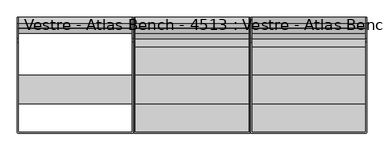
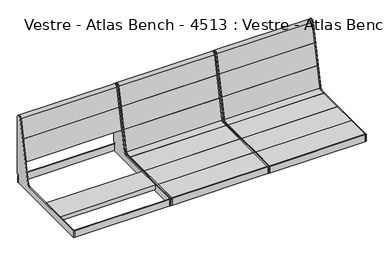
"""IFC4 building model written with IfcOpenShell, lengths in millimetres: furniture geometry, Vestre - Atlas Bench - 4513 : Vestre - Atlas Bench - 4513."""

from ifc_helpers import new_model, si_unit, point, frame, frame_2d, origin, place, context, project, spatial, polyline, circle_curve, trimmed, segment, composite_curve, outline, extrude, source, transform, mapped, element, save
from ifc_brep_helpers import plane_surface, cylinder_surface, revolved_surface, advanced_brep


def vestre_atlas_bench_4513_vestre_atlas_bench_4513_27ef36e6(model_context):
    return source(origin(), model_context, "Body", "SolidModel", [
        advanced_brep(
        [(307.9998047, 300.0000023, 454.2874442), (307.9998047, 300.0000023, 823.6998603), (307.9998047, 270.3277883, 826.8185356), (307.9998047, 191.1979651, 454.541987), (307.9998047, 171.6350131, 438.7002208), (307.9998047, -294.0016577, 438.7002208), (307.9998047, -294.0016577, 395.7002292), (307.9998047, 294.0104801, 395.7002292), (307.9998047, 294.0104801, 438.7002208), (307.9998047, 289.8860908, 438.7002208), (307.9998047, 287.8917461, 446.1432162), (307.9998047, 299.001022, 452.5571596), (303.0001099, 300.0000023, 454.2874442), (303.0001099, 299.001022, 452.5571596), (303.0001099, 287.8917461, 446.1432162), (303.0001099, 289.8860908, 438.7002208), (303.0001099, 294.0000778, 438.7002208), (303.0001099, 294.000075, 395.7002292), (303.0001099, -294.000075, 395.7002292), (303.0001099, -294.000075, 438.7002208), (303.0001099, 171.6350131, 438.7002208), (303.0001099, 191.1979651, 454.541987), (303.0001099, 270.3277883, 826.8185356), (303.0001099, 300.0000023, 823.6998603), (308.9892687, 294.9999441, 438.7002208), (897.0090675, 294.9999441, 438.7002208), (897.9998383, 294.0091733, 438.7002208), (897.9998383, 289.8860908, 438.7002208), (902.9995331, 289.8860908, 438.7002208), (902.9995331, 294.000075, 438.7002208), (896.9995331, 300.000075, 438.7002208), (309.0001099, 300.000075, 438.7002208), (309.0001099, -300.000075, 438.7002208), (897.036398, -300.000075, 438.7002208), (902.9995331, -294.0369399, 438.7002208), (902.9995331, 171.6350131, 438.7002208), (897.9998383, 171.6350131, 438.7002208), (897.9998383, -294.035874, 438.7002208), (897.0356228, -295.0000895, 438.7002208), (308.9982364, -295.0000895, 438.7002208), (902.9995331, -294.0369399, 395.7002292), (897.036398, -300.000075, 395.7002292), (309.0001099, -300.000075, 395.7002292), (309.0001099, 300.000075, 395.7002292), (896.9995331, 300.000075, 395.7002292), (902.9995331, 294.000075, 395.7002292), (897.9998383, -294.035874, 395.7002292), (897.9998383, 294.0091733, 395.7002292), (897.0090675, 294.9999441, 395.7002292), (308.9892687, 294.9999441, 395.7002292), (308.9982364, -295.0000895, 395.7002292), (897.0356228, -295.0000895, 395.7002292), (897.9998383, 191.1979651, 454.541987), (897.9998383, 270.3277883, 826.8185356), (897.9998383, 300.0000023, 823.6998603), (897.9998383, 300.0000023, 454.2874442), (897.9998383, 299.001022, 452.5571596), (897.9998383, 287.8917461, 446.1432162), (902.9995331, 287.8917461, 446.1432162), (902.9995331, 299.001022, 452.5571596), (902.9995331, 300.0000023, 454.2874442), (902.9995331, 300.0000023, 823.6998603), (902.9995331, 270.3277883, 826.8185356), (902.9995331, 191.1979651, 454.541987)],
        [
            (0, 1),
            (1, 2, circle_curve(frame((307.9998047, 285.0000023, 823.6998603), z_axis=(1.0, 0.0, 0.0), x_axis=(0.0, -1.0, 0.0)), 15.0)),
            (2, 3),
            (3, 4, circle_curve(frame((307.9998047, 171.6350131, 458.7002208), z_axis=(-1.0, 0.0, 0.0), x_axis=(0.0, -1.0, 0.0)), 20.0)),
            (4, 5),
            (5, 6),
            (6, 7),
            (7, 8),
            (8, 9),
            (9, 10, circle_curve(frame((307.9998047, 289.8860908, 442.68891), z_axis=(-1.0, 0.0, 0.0), x_axis=(0.0, -1.0, 0.0)), 3.9886892)),
            (10, 11),
            (11, 0, circle_curve(frame((307.9998047, 298.0020417, 454.2874442), z_axis=(1.0, 0.0, 0.0), x_axis=(0.0, -1.0, 0.0)), 1.9979606)),
            (12, 13, circle_curve(frame((303.0001099, 298.0020417, 454.2874442), z_axis=(-1.0, 0.0, 0.0), x_axis=(0.0, -1.0, 0.0)), 1.9979606)),
            (13, 14),
            (14, 15, circle_curve(frame((303.0001099, 289.8860908, 442.68891), z_axis=(1.0, 0.0, 0.0), x_axis=(0.0, -1.0, 0.0)), 3.9886892)),
            (15, 16),
            (16, 17),
            (17, 18),
            (18, 19),
            (19, 20),
            (20, 21, circle_curve(frame((303.0001099, 171.6350131, 458.7002208), z_axis=(1.0, 0.0, 0.0), x_axis=(0.0, -1.0, 0.0)), 20.0)),
            (21, 22),
            (22, 23, circle_curve(frame((303.0001099, 285.0000023, 823.6998603), z_axis=(-1.0, 0.0, 0.0), x_axis=(0.0, -1.0, 0.0)), 15.0)),
            (23, 12),
            (0, 12),
            (23, 1),
            (22, 2),
            (21, 3),
            (20, 4),
            (8, 24, circle_curve(frame((308.9892687, 294.0104801, 438.7002208), z_axis=(0.0, 0.0, -1.0), x_axis=(-1.0, 0.0, 0.0)), 0.989464)),
            (24, 25),
            (25, 26, circle_curve(frame((897.0090675, 294.0091733, 438.7002208), z_axis=(0.0, 0.0, -1.0), x_axis=(-1.0, 0.0, 0.0)), 0.9907708)),
            (26, 27),
            (27, 28),
            (28, 29),
            (29, 30, circle_curve(frame((896.9995331, 294.000075, 438.7002208), z_axis=(0.0, 0.0, 1.0), x_axis=(-1.0, 0.0, 0.0)), 6.0)),
            (30, 31),
            (31, 16, circle_curve(frame((309.0001099, 294.000075, 438.7002208), z_axis=(0.0, 0.0, 1.0), x_axis=(-1.0, 0.0, 0.0)), 6.0)),
            (15, 9),
            (19, 32, circle_curve(frame((309.0001099, -294.000075, 438.7002208), z_axis=(0.0, 0.0, 1.0), x_axis=(-1.0, 0.0, 0.0)), 6.0)),
            (32, 33),
            (33, 34, circle_curve(frame((897.036398, -294.0369399, 438.7002208), z_axis=(0.0, 0.0, 1.0), x_axis=(-1.0, 0.0, 0.0)), 5.9631351)),
            (34, 35),
            (35, 36),
            (36, 37),
            (37, 38, circle_curve(frame((897.0356228, -294.035874, 438.7002208), z_axis=(0.0, 0.0, -1.0), x_axis=(-1.0, 0.0, 0.0)), 0.9642155)),
            (38, 39),
            (39, 5, circle_curve(frame((308.9982364, -294.0016577, 438.7002208), z_axis=(0.0, 0.0, -1.0), x_axis=(-1.0, 0.0, 0.0)), 0.9984317)),
            (14, 10),
            (13, 11),
            (40, 41, circle_curve(frame((897.036398, -294.0369399, 395.7002292), z_axis=(0.0, 0.0, -1.0), x_axis=(-1.0, 0.0, 0.0)), 5.9631351)),
            (41, 42),
            (42, 18, circle_curve(frame((309.0001099, -294.000075, 395.7002292), z_axis=(0.0, 0.0, -1.0), x_axis=(-1.0, 0.0, 0.0)), 6.0)),
            (17, 43, circle_curve(frame((309.0001099, 294.000075, 395.7002292), z_axis=(0.0, 0.0, -1.0), x_axis=(-1.0, 0.0, 0.0)), 6.0)),
            (43, 44),
            (44, 45, circle_curve(frame((896.9995331, 294.000075, 395.7002292), z_axis=(0.0, 0.0, -1.0), x_axis=(-1.0, 0.0, 0.0)), 6.0)),
            (45, 40),
            (46, 47),
            (47, 48, circle_curve(frame((897.0090675, 294.0091733, 395.7002292), z_axis=(0.0, 0.0, 1.0), x_axis=(-1.0, 0.0, 0.0)), 0.9907708)),
            (48, 49),
            (49, 7, circle_curve(frame((308.9892687, 294.0104801, 395.7002292), z_axis=(0.0, 0.0, 1.0), x_axis=(-1.0, 0.0, 0.0)), 0.989464)),
            (6, 50, circle_curve(frame((308.9982364, -294.0016577, 395.7002292), z_axis=(0.0, 0.0, 1.0), x_axis=(-1.0, 0.0, 0.0)), 0.9984317)),
            (50, 51),
            (51, 46, circle_curve(frame((897.0356228, -294.035874, 395.7002292), z_axis=(0.0, 0.0, 1.0), x_axis=(-1.0, 0.0, 0.0)), 0.9642155)),
            (46, 37),
            (36, 52, circle_curve(frame((897.9998383, 171.6350131, 458.7002208), z_axis=(1.0, 0.0, 0.0), x_axis=(0.0, -1.0, 0.0)), 20.0)),
            (52, 53),
            (53, 54, circle_curve(frame((897.9998383, 285.0000023, 823.6998603), z_axis=(-1.0, 0.0, 0.0), x_axis=(0.0, -1.0, 0.0)), 15.0)),
            (54, 55),
            (55, 56, circle_curve(frame((897.9998383, 298.0020417, 454.2874442), z_axis=(-1.0, 0.0, 0.0), x_axis=(0.0, -1.0, 0.0)), 1.9979606)),
            (56, 57),
            (57, 27, circle_curve(frame((897.9998383, 289.8860908, 442.68891), z_axis=(1.0, 0.0, 0.0), x_axis=(0.0, -1.0, 0.0)), 3.9886892)),
            (26, 47),
            (25, 48),
            (24, 49),
            (39, 50),
            (38, 51),
            (33, 41),
            (40, 34),
            (32, 42),
            (31, 43),
            (30, 44),
            (29, 45),
            (28, 58, circle_curve(frame((902.9995331, 289.8860908, 442.68891), z_axis=(-1.0, 0.0, 0.0), x_axis=(0.0, -1.0, 0.0)), 3.9886892)),
            (58, 59),
            (59, 60, circle_curve(frame((902.9995331, 298.0020417, 454.2874442), z_axis=(1.0, 0.0, 0.0), x_axis=(0.0, -1.0, 0.0)), 1.9979606)),
            (60, 61),
            (61, 62, circle_curve(frame((902.9995331, 285.0000023, 823.6998603), z_axis=(1.0, 0.0, 0.0), x_axis=(0.0, -1.0, 0.0)), 15.0)),
            (62, 63),
            (63, 35, circle_curve(frame((902.9995331, 171.6350131, 458.7002208), z_axis=(-1.0, 0.0, 0.0), x_axis=(0.0, -1.0, 0.0)), 20.0)),
            (54, 61),
            (60, 55),
            (53, 62),
            (52, 63),
            (57, 58),
            (56, 59),
        ],
        [
            plane_surface(frame((307.9998047, 300.0000023, 823.700013), z_axis=(1.0, 0.0, 0.0), x_axis=(0.0, 0.0, 1.0))),
            plane_surface(frame((303.0001099, 300.0000023, 823.700013), z_axis=(-1.0, 0.0, 0.0), x_axis=(0.0, 0.0, -1.0))),
            plane_surface(frame((307.9998047, 300.0000023, 454.2874442), z_axis=(0.0, 1.0, 0.0), x_axis=(-1.0, 0.0, 0.0))),
            cylinder_surface(frame((303.0001099, 285.0000023, 823.6998603), z_axis=(1.0, 0.0, 0.0), x_axis=(0.0, -1.0, 0.0)), 15.0),
            plane_surface(frame((307.9998047, 270.3277883, 826.8185356), z_axis=(0.0, -0.9781476007338054, 0.20791169081776104), x_axis=(-1.0, 0.0, 0.0))),
            revolved_surface(polyline([(303.0001099, 151.6350131, 458.7002208), (307.9998047, 151.6350131, 458.7002208)]), (303.0001099, 171.6350131, 458.7002208), (-1.0, 0.0, 0.0)),
            plane_surface(frame((307.9998047, 171.6350131, 438.7002208), z_axis=(0.0, 0.0, 1.0), x_axis=(-1.0, 0.0, 0.0))),
            revolved_surface(polyline([(303.0001099, 285.89740159999997, 442.68891), (307.9998047, 285.89740159999997, 442.68891)]), (303.0001099, 289.8860908, 442.68891), (-1.0, 0.0, 0.0)),
            plane_surface(frame((307.9998047, 287.8917461, 446.1432162), z_axis=(0.0, 0.5000000000000018, -0.8660254037844377), x_axis=(-1.0, 0.0, 0.0))),
            cylinder_surface(frame((303.0001099, 298.0020417, 454.2874442), z_axis=(1.0, 0.0, 0.0), x_axis=(0.0, -1.0, 0.0)), 1.9979606),
            plane_surface(frame((896.0714073, -294.035874, 395.7002292), z_axis=(0.0, 0.0, -1.0), x_axis=(0.0, -1.0, 0.0))),
            plane_surface(frame((897.9998383, 294.0091733, 438.7002208), z_axis=(-1.0, 0.0, 0.0), x_axis=(0.0, 0.0, -1.0))),
            revolved_surface(polyline([(896.0182967000001, 294.0091733, 395.7002292), (896.0182967000001, 294.0091733, 438.7002208)]), (897.0090675, 294.0091733, 395.7002292), (0.0, 0.0, -1.0)),
            plane_surface(frame((308.9892687, 294.9999441, 438.7002208), z_axis=(0.0, -1.0, 0.0), x_axis=(0.0, 0.0, -1.0))),
            revolved_surface(polyline([(307.9998047, 294.0104801, 395.7002292), (307.9998047, 294.0104801, 438.7002208)]), (308.9892687, 294.0104801, 395.7002292), (0.0, 0.0, -1.0)),
            revolved_surface(polyline([(307.99980469999997, -294.0016577, 395.7002292), (307.99980469999997, -294.0016577, 438.7002208)]), (308.9982364, -294.0016577, 395.7002292), (0.0, 0.0, -1.0)),
            plane_surface(frame((897.0356228, -295.0000895, 438.7002208), z_axis=(0.0, 1.0, 0.0), x_axis=(0.0, 0.0, -1.0))),
            revolved_surface(polyline([(896.0714073, -294.035874, 395.7002292), (896.0714073, -294.035874, 438.7002208)]), (897.0356228, -294.035874, 395.7002292), (0.0, 0.0, -1.0)),
            cylinder_surface(frame((897.036398, -294.0369399, 395.7002292), z_axis=(0.0, 0.0, 1.0), x_axis=(-1.0, 0.0, 0.0)), 5.9631351),
            plane_surface(frame((309.0001099, -300.000075, 438.7002208), z_axis=(0.0, -1.0, 0.0), x_axis=(0.0, 0.0, -1.0))),
            cylinder_surface(frame((309.0001099, -294.000075, 395.7002292), z_axis=(0.0, 0.0, 1.0), x_axis=(-1.0, 0.0, 0.0)), 6.0),
            cylinder_surface(frame((309.0001099, 294.000075, 395.7002292), z_axis=(0.0, 0.0, 1.0), x_axis=(-1.0, 0.0, 0.0)), 6.0),
            plane_surface(frame((896.9995331, 300.000075, 438.7002208), z_axis=(0.0, 1.0, 0.0), x_axis=(0.0, 0.0, -1.0))),
            cylinder_surface(frame((896.9995331, 294.000075, 395.7002292), z_axis=(0.0, 0.0, 1.0), x_axis=(-1.0, 0.0, 0.0)), 6.0),
            plane_surface(frame((902.9995331, -294.0369399, 438.7002208), z_axis=(1.0, 0.0, 0.0), x_axis=(0.0, 0.0, -1.0))),
            plane_surface(frame((897.9998383, 300.0000023, 823.6998603), z_axis=(0.0, 1.0, 0.0), x_axis=(1.0, 0.0, 0.0))),
            cylinder_surface(frame((902.9995331, 285.0000023, 823.6998603), z_axis=(-1.0, 0.0, 0.0), x_axis=(0.0, -1.0, 0.0)), 15.0),
            plane_surface(frame((897.9998383, 191.1979651, 454.541987), z_axis=(0.0, -0.9781476007338054, 0.20791169081776104), x_axis=(1.0, 0.0, 0.0))),
            revolved_surface(polyline([(902.9995331, 151.6350131, 458.7002208), (897.9998383, 151.6350131, 458.7002208)]), (902.9995331, 171.6350131, 458.7002208), (1.0, 0.0, 0.0)),
            revolved_surface(polyline([(902.9995331, 285.89740159999997, 442.68891), (897.9998383, 285.89740159999997, 442.68891)]), (902.9995331, 289.8860908, 442.68891), (1.0, 0.0, 0.0)),
            plane_surface(frame((897.9998383, 299.001022, 452.5571596), z_axis=(0.0, 0.5000000000000018, -0.8660254037844377), x_axis=(1.0, 0.0, 0.0))),
            cylinder_surface(frame((902.9995331, 298.0020417, 454.2874442), z_axis=(-1.0, 0.0, 0.0), x_axis=(0.0, -1.0, 0.0)), 1.9979606),
        ],
        [
            (0, [[1, 2, 3, 4, 5, 6, 7, 8, 9, 10, 11, 12]]),
            (1, [[13, 14, 15, 16, 17, 18, 19, 20, 21, 22, 23, 24]]),
            (2, [[-1, 25, -24, 26]]),
            (3, [[-2, -26, -23, 27]]),
            (4, [[-3, -27, -22, 28]]),
            (5, [[-4, -28, -21, 29]]),
            (6, [[-9, 30, 31, 32, 33, 34, 35, 36, 37, 38, -16, 39]]),
            (6, [[-29, -20, 40, 41, 42, 43, 44, 45, 46, 47, 48, -5]]),
            (7, [[-10, -39, -15, 49]]),
            (8, [[-11, -49, -14, 50]]),
            (9, [[-12, -50, -13, -25]]),
            (10, [[51, 52, 53, -18, 54, 55, 56, 57], [58, 59, 60, 61, -7, 62, 63, 64]]),
            (11, [[-58, 65, -45, 66, 67, 68, 69, 70, 71, 72, -33, 73]]),
            (12, [[-73, -32, 74, -59]]),
            (13, [[-31, 75, -60, -74]]),
            (14, [[-30, -8, -61, -75]]),
            (15, [[-48, 76, -62, -6]]),
            (16, [[-47, 77, -63, -76]]),
            (17, [[-46, -65, -64, -77]]),
            (18, [[-42, 78, -51, 79]]),
            (19, [[-41, 80, -52, -78]]),
            (20, [[-40, -19, -53, -80]]),
            (21, [[-38, 81, -54, -17]]),
            (22, [[-37, 82, -55, -81]]),
            (23, [[-36, 83, -56, -82]]),
            (24, [[-57, -83, -35, 84, 85, 86, 87, 88, 89, 90, -43, -79]]),
            (25, [[-69, 91, -87, 92]]),
            (26, [[-68, 93, -88, -91]]),
            (27, [[-67, 94, -89, -93]]),
            (28, [[-66, -44, -90, -94]]),
            (29, [[-72, 95, -84, -34]]),
            (30, [[-71, 96, -85, -95]]),
            (31, [[-70, -92, -86, -96]]),
        ],
    ),
        advanced_brep(
        [(-295.0000168, 300.0000023, 454.2874442), (-295.0000168, 300.0000023, 823.6998603), (-295.0000168, 270.3277883, 826.8185356), (-295.0000168, 191.1979651, 454.541987), (-295.0000168, 171.6350131, 438.7002208), (-295.0000168, -294.035874, 438.7002208), (-295.0000168, -294.035874, 395.7002292), (-295.0000168, 294.0091733, 395.7002292), (-295.0000168, 294.0091733, 438.7002208), (-295.0000168, 289.8860908, 438.7002208), (-295.0000168, 287.8917461, 446.1432162), (-295.0000168, 299.001022, 452.5571596), (-299.9997116, 300.0000023, 454.2874442), (-299.9997116, 299.001022, 452.5571596), (-299.9997116, 287.8917461, 446.1432162), (-299.9997116, 289.8860908, 438.7002208), (-299.9997116, 294.0000778, 438.7002208), (-299.9997116, 294.000075, 395.7002292), (-299.9997116, -294.0369399, 395.7002292), (-299.9997116, -294.0369399, 438.7002208), (-299.9997116, 171.6350131, 438.7002208), (-299.9997116, 191.1979651, 454.541987), (-299.9997116, 270.3277883, 826.8185356), (-299.9997116, 300.0000023, 823.6998603), (-294.009246, 294.9999441, 438.7002208), (294.0105528, 294.9999441, 438.7002208), (295.0000168, 294.0104801, 438.7002208), (295.0000168, 289.8860908, 438.7002208), (299.9997116, 289.8860908, 438.7002208), (299.9997116, 294.000075, 438.7002208), (293.9997116, 300.000075, 438.7002208), (-293.9997116, 300.000075, 438.7002208), (-294.0365765, -300.000075, 438.7002208), (293.9997116, -300.000075, 438.7002208), (299.9997116, -294.000075, 438.7002208), (299.9997116, 171.6350131, 438.7002208), (295.0000168, 171.6350131, 438.7002208), (295.0000168, -294.0016577, 438.7002208), (294.0015851, -295.0000895, 438.7002208), (-294.0358013, -295.0000895, 438.7002208), (-293.9997116, 300.000075, 395.7002292), (293.9997116, 300.000075, 395.7002292), (299.9997116, 294.000075, 395.7002292), (299.9997116, -294.000075, 395.7002292), (293.9997116, -300.000075, 395.7002292), (-294.0365765, -300.000075, 395.7002292), (-294.0358013, -295.0000895, 395.7002292), (294.0015851, -295.0000895, 395.7002292), (295.0000168, -294.0016577, 395.7002292), (295.0000168, 294.0104801, 395.7002292), (294.0105528, 294.9999441, 395.7002292), (-294.009246, 294.9999441, 395.7002292), (295.0000168, 191.1979651, 454.541987), (295.0000168, 270.3277883, 826.8185356), (295.0000168, 300.0000023, 823.6998603), (295.0000168, 300.0000023, 454.2874442), (295.0000168, 299.001022, 452.5571596), (295.0000168, 287.8917461, 446.1432162), (299.9997116, 287.8917461, 446.1432162), (299.9997116, 299.001022, 452.5571596), (299.9997116, 300.0000023, 454.2874442), (299.9997116, 300.0000023, 823.6998603), (299.9997116, 270.3277883, 826.8185356), (299.9997116, 191.1979651, 454.541987)],
        [
            (0, 1),
            (1, 2, circle_curve(frame((-295.0000168, 285.0000023, 823.6998603), z_axis=(1.0, 0.0, 0.0), x_axis=(0.0, -1.0, 0.0)), 15.0)),
            (2, 3),
            (3, 4, circle_curve(frame((-295.0000168, 171.6350131, 458.7002208), z_axis=(-1.0, 0.0, 0.0), x_axis=(0.0, -1.0, 0.0)), 20.0)),
            (4, 5),
            (5, 6),
            (6, 7),
            (7, 8),
            (8, 9),
            (9, 10, circle_curve(frame((-295.0000168, 289.8860908, 442.68891), z_axis=(-1.0, 0.0, 0.0), x_axis=(0.0, -1.0, 0.0)), 3.9886892)),
            (10, 11),
            (11, 0, circle_curve(frame((-295.0000168, 298.0020417, 454.2874442), z_axis=(1.0, 0.0, 0.0), x_axis=(0.0, -1.0, 0.0)), 1.9979606)),
            (12, 13, circle_curve(frame((-299.9997116, 298.0020417, 454.2874442), z_axis=(-1.0, 0.0, 0.0), x_axis=(0.0, -1.0, 0.0)), 1.9979606)),
            (13, 14),
            (14, 15, circle_curve(frame((-299.9997116, 289.8860908, 442.68891), z_axis=(1.0, 0.0, 0.0), x_axis=(0.0, -1.0, 0.0)), 3.9886892)),
            (15, 16),
            (16, 17),
            (17, 18),
            (18, 19),
            (19, 20),
            (20, 21, circle_curve(frame((-299.9997116, 171.6350131, 458.7002208), z_axis=(1.0, 0.0, 0.0), x_axis=(0.0, -1.0, 0.0)), 20.0)),
            (21, 22),
            (22, 23, circle_curve(frame((-299.9997116, 285.0000023, 823.6998603), z_axis=(-1.0, 0.0, 0.0), x_axis=(0.0, -1.0, 0.0)), 15.0)),
            (23, 12),
            (0, 12),
            (23, 1),
            (22, 2),
            (21, 3),
            (20, 4),
            (8, 24, circle_curve(frame((-294.009246, 294.0091733, 438.7002208), z_axis=(0.0, 0.0, -1.0), x_axis=(1.0, 0.0, 0.0)), 0.9907708)),
            (24, 25),
            (25, 26, circle_curve(frame((294.0105528, 294.0104801, 438.7002208), z_axis=(0.0, 0.0, -1.0), x_axis=(1.0, 0.0, 0.0)), 0.989464)),
            (26, 27),
            (27, 28),
            (28, 29),
            (29, 30, circle_curve(frame((293.9997116, 294.000075, 438.7002208), z_axis=(0.0, 0.0, 1.0), x_axis=(1.0, 0.0, 0.0)), 6.0)),
            (30, 31),
            (31, 16, circle_curve(frame((-293.9997116, 294.000075, 438.7002208), z_axis=(0.0, 0.0, 1.0), x_axis=(1.0, 0.0, 0.0)), 6.0)),
            (15, 9),
            (19, 32, circle_curve(frame((-294.0365765, -294.0369399, 438.7002208), z_axis=(0.0, 0.0, 1.0), x_axis=(1.0, 0.0, 0.0)), 5.9631351)),
            (32, 33),
            (33, 34, circle_curve(frame((293.9997116, -294.000075, 438.7002208), z_axis=(0.0, 0.0, 1.0), x_axis=(1.0, 0.0, 0.0)), 6.0)),
            (34, 35),
            (35, 36),
            (36, 37),
            (37, 38, circle_curve(frame((294.0015851, -294.0016577, 438.7002208), z_axis=(0.0, 0.0, -1.0), x_axis=(1.0, 0.0, 0.0)), 0.9984317)),
            (38, 39),
            (39, 5, circle_curve(frame((-294.0358013, -294.035874, 438.7002208), z_axis=(0.0, 0.0, -1.0), x_axis=(1.0, 0.0, 0.0)), 0.9642155)),
            (14, 10),
            (13, 11),
            (17, 40, circle_curve(frame((-293.9997116, 294.000075, 395.7002292), z_axis=(0.0, 0.0, -1.0), x_axis=(1.0, 0.0, 0.0)), 6.0)),
            (40, 41),
            (41, 42, circle_curve(frame((293.9997116, 294.000075, 395.7002292), z_axis=(0.0, 0.0, -1.0), x_axis=(1.0, 0.0, 0.0)), 6.0)),
            (42, 43),
            (43, 44, circle_curve(frame((293.9997116, -294.000075, 395.7002292), z_axis=(0.0, 0.0, -1.0), x_axis=(1.0, 0.0, 0.0)), 6.0)),
            (44, 45),
            (45, 18, circle_curve(frame((-294.0365765, -294.0369399, 395.7002292), z_axis=(0.0, 0.0, -1.0), x_axis=(1.0, 0.0, 0.0)), 5.9631351)),
            (6, 46, circle_curve(frame((-294.0358013, -294.035874, 395.7002292), z_axis=(0.0, 0.0, 1.0), x_axis=(1.0, 0.0, 0.0)), 0.9642155)),
            (46, 47),
            (47, 48, circle_curve(frame((294.0015851, -294.0016577, 395.7002292), z_axis=(0.0, 0.0, 1.0), x_axis=(1.0, 0.0, 0.0)), 0.9984317)),
            (48, 49),
            (49, 50, circle_curve(frame((294.0105528, 294.0104801, 395.7002292), z_axis=(0.0, 0.0, 1.0), x_axis=(1.0, 0.0, 0.0)), 0.989464)),
            (50, 51),
            (51, 7, circle_curve(frame((-294.009246, 294.0091733, 395.7002292), z_axis=(0.0, 0.0, 1.0), x_axis=(1.0, 0.0, 0.0)), 0.9907708)),
            (51, 24),
            (50, 25),
            (49, 26),
            (48, 37),
            (36, 52, circle_curve(frame((295.0000168, 171.6350131, 458.7002208), z_axis=(1.0, 0.0, 0.0), x_axis=(0.0, -1.0, 0.0)), 20.0)),
            (52, 53),
            (53, 54, circle_curve(frame((295.0000168, 285.0000023, 823.6998603), z_axis=(-1.0, 0.0, 0.0), x_axis=(0.0, -1.0, 0.0)), 15.0)),
            (54, 55),
            (55, 56, circle_curve(frame((295.0000168, 298.0020417, 454.2874442), z_axis=(-1.0, 0.0, 0.0), x_axis=(0.0, -1.0, 0.0)), 1.9979606)),
            (56, 57),
            (57, 27, circle_curve(frame((295.0000168, 289.8860908, 442.68891), z_axis=(1.0, 0.0, 0.0), x_axis=(0.0, -1.0, 0.0)), 3.9886892)),
            (47, 38),
            (46, 39),
            (45, 32),
            (44, 33),
            (43, 34),
            (42, 29),
            (28, 58, circle_curve(frame((299.9997116, 289.8860908, 442.68891), z_axis=(-1.0, 0.0, 0.0), x_axis=(0.0, -1.0, 0.0)), 3.9886892)),
            (58, 59),
            (59, 60, circle_curve(frame((299.9997116, 298.0020417, 454.2874442), z_axis=(1.0, 0.0, 0.0), x_axis=(0.0, -1.0, 0.0)), 1.9979606)),
            (60, 61),
            (61, 62, circle_curve(frame((299.9997116, 285.0000023, 823.6998603), z_axis=(1.0, 0.0, 0.0), x_axis=(0.0, -1.0, 0.0)), 15.0)),
            (62, 63),
            (63, 35, circle_curve(frame((299.9997116, 171.6350131, 458.7002208), z_axis=(-1.0, 0.0, 0.0), x_axis=(0.0, -1.0, 0.0)), 20.0)),
            (41, 30),
            (40, 31),
            (54, 61),
            (60, 55),
            (53, 62),
            (52, 63),
            (57, 58),
            (56, 59),
        ],
        [
            plane_surface(frame((-295.0000168, 300.0000023, 823.700013), z_axis=(1.0, 0.0, 0.0), x_axis=(0.0, 0.0, 1.0))),
            plane_surface(frame((-299.9997116, 300.0000023, 823.700013), z_axis=(-1.0, 0.0, 0.0), x_axis=(0.0, 0.0, -1.0))),
            plane_surface(frame((-295.0000168, 300.0000023, 454.2874442), z_axis=(0.0, 1.0, 0.0), x_axis=(-1.0, 0.0, 0.0))),
            cylinder_surface(frame((-299.9997116, 285.0000023, 823.6998603), z_axis=(1.0, 0.0, 0.0), x_axis=(0.0, -1.0, 0.0)), 15.0),
            plane_surface(frame((-295.0000168, 270.3277883, 826.8185356), z_axis=(0.0, -0.9781476007338054, 0.20791169081776104), x_axis=(-1.0, 0.0, 0.0))),
            revolved_surface(polyline([(-299.9997116, 151.6350131, 458.7002208), (-295.0000168, 151.6350131, 458.7002208)]), (-299.9997116, 171.6350131, 458.7002208), (-1.0, 0.0, 0.0)),
            plane_surface(frame((-295.0000168, 171.6350131, 438.7002208), z_axis=(0.0, 0.0, 1.0), x_axis=(-1.0, 0.0, 0.0))),
            revolved_surface(polyline([(-299.9997116, 285.89740159999997, 442.68891), (-295.0000168, 285.89740159999997, 442.68891)]), (-299.9997116, 289.8860908, 442.68891), (-1.0, 0.0, 0.0)),
            plane_surface(frame((-295.0000168, 287.8917461, 446.1432162), z_axis=(0.0, 0.5000000000000018, -0.8660254037844377), x_axis=(-1.0, 0.0, 0.0))),
            cylinder_surface(frame((-299.9997116, 298.0020417, 454.2874442), z_axis=(1.0, 0.0, 0.0), x_axis=(0.0, -1.0, 0.0)), 1.9979606),
            plane_surface(frame((-295.0000168, 294.0000051, 395.7002292), z_axis=(0.0, 0.0, -1.0), x_axis=(0.0, -1.0, 0.0))),
            revolved_surface(polyline([(-293.0184752, 294.0091733, 395.7002292), (-293.0184752, 294.0091733, 438.7002208)]), (-294.009246, 294.0091733, 395.7002292), (0.0, 0.0, -1.0)),
            plane_surface(frame((-294.009246, 294.9999441, 438.7002208), z_axis=(0.0, -1.0, 0.0), x_axis=(0.0, 0.0, -1.0))),
            revolved_surface(polyline([(295.0000168, 294.0104801, 395.7002292), (295.0000168, 294.0104801, 438.7002208)]), (294.0105528, 294.0104801, 395.7002292), (0.0, 0.0, -1.0)),
            plane_surface(frame((295.0000168, 294.0104801, 438.7002208), z_axis=(-1.0, 0.0, 0.0), x_axis=(0.0, 0.0, -1.0))),
            revolved_surface(polyline([(295.0000168, -294.0016577, 395.7002292), (295.0000168, -294.0016577, 438.7002208)]), (294.0015851, -294.0016577, 395.7002292), (0.0, 0.0, -1.0)),
            plane_surface(frame((294.0015851, -295.0000895, 438.7002208), z_axis=(0.0, 1.0, 0.0), x_axis=(0.0, 0.0, -1.0))),
            revolved_surface(polyline([(-293.0715858, -294.035874, 395.7002292), (-293.0715858, -294.035874, 438.7002208)]), (-294.0358013, -294.035874, 395.7002292), (0.0, 0.0, -1.0)),
            cylinder_surface(frame((-294.0365765, -294.0369399, 395.7002292), z_axis=(0.0, 0.0, 1.0), x_axis=(1.0, 0.0, 0.0)), 5.9631351),
            plane_surface(frame((-294.0365765, -300.000075, 438.7002208), z_axis=(0.0, -1.0, 0.0), x_axis=(0.0, 0.0, -1.0))),
            cylinder_surface(frame((293.9997116, -294.000075, 395.7002292), z_axis=(0.0, 0.0, 1.0), x_axis=(1.0, 0.0, 0.0)), 6.0),
            plane_surface(frame((299.9997116, -294.000075, 438.7002208), z_axis=(1.0, 0.0, 0.0), x_axis=(0.0, 0.0, -1.0))),
            cylinder_surface(frame((293.9997116, 294.000075, 395.7002292), z_axis=(0.0, 0.0, 1.0), x_axis=(1.0, 0.0, 0.0)), 6.0),
            plane_surface(frame((293.9997116, 300.000075, 438.7002208), z_axis=(0.0, 1.0, 0.0), x_axis=(0.0, 0.0, -1.0))),
            cylinder_surface(frame((-293.9997116, 294.000075, 395.7002292), z_axis=(0.0, 0.0, 1.0), x_axis=(1.0, 0.0, 0.0)), 6.0),
            plane_surface(frame((295.0000168, 300.0000023, 823.6998603), z_axis=(0.0, 1.0, 0.0), x_axis=(1.0, 0.0, 0.0))),
            cylinder_surface(frame((299.9997116, 285.0000023, 823.6998603), z_axis=(-1.0, 0.0, 0.0), x_axis=(0.0, -1.0, 0.0)), 15.0),
            plane_surface(frame((295.0000168, 191.1979651, 454.541987), z_axis=(0.0, -0.9781476007338054, 0.20791169081776104), x_axis=(1.0, 0.0, 0.0))),
            revolved_surface(polyline([(299.9997116, 151.6350131, 458.7002208), (295.0000168, 151.6350131, 458.7002208)]), (299.9997116, 171.6350131, 458.7002208), (1.0, 0.0, 0.0)),
            revolved_surface(polyline([(299.9997116, 285.89740159999997, 442.68891), (295.0000168, 285.89740159999997, 442.68891)]), (299.9997116, 289.8860908, 442.68891), (1.0, 0.0, 0.0)),
            plane_surface(frame((295.0000168, 299.001022, 452.5571596), z_axis=(0.0, 0.5000000000000018, -0.8660254037844377), x_axis=(1.0, 0.0, 0.0))),
            cylinder_surface(frame((299.9997116, 298.0020417, 454.2874442), z_axis=(-1.0, 0.0, 0.0), x_axis=(0.0, -1.0, 0.0)), 1.9979606),
        ],
        [
            (0, [[1, 2, 3, 4, 5, 6, 7, 8, 9, 10, 11, 12]]),
            (1, [[13, 14, 15, 16, 17, 18, 19, 20, 21, 22, 23, 24]]),
            (2, [[-1, 25, -24, 26]]),
            (3, [[-2, -26, -23, 27]]),
            (4, [[-3, -27, -22, 28]]),
            (5, [[-4, -28, -21, 29]]),
            (6, [[-9, 30, 31, 32, 33, 34, 35, 36, 37, 38, -16, 39]]),
            (6, [[-29, -20, 40, 41, 42, 43, 44, 45, 46, 47, 48, -5]]),
            (7, [[-10, -39, -15, 49]]),
            (8, [[-11, -49, -14, 50]]),
            (9, [[-12, -50, -13, -25]]),
            (10, [[-18, 51, 52, 53, 54, 55, 56, 57], [58, 59, 60, 61, 62, 63, 64, -7]]),
            (11, [[-30, -8, -64, 65]]),
            (12, [[-31, -65, -63, 66]]),
            (13, [[67, -32, -66, -62]]),
            (14, [[-61, 68, -45, 69, 70, 71, 72, 73, 74, 75, -33, -67]]),
            (15, [[-46, -68, -60, 76]]),
            (16, [[-47, -76, -59, 77]]),
            (17, [[-48, -77, -58, -6]]),
            (18, [[-40, -19, -57, 78]]),
            (19, [[-41, -78, -56, 79]]),
            (20, [[-42, -79, -55, 80]]),
            (21, [[-54, 81, -35, 82, 83, 84, 85, 86, 87, 88, -43, -80]]),
            (22, [[-36, -81, -53, 89]]),
            (23, [[-37, -89, -52, 90]]),
            (24, [[-38, -90, -51, -17]]),
            (25, [[-72, 91, -85, 92]]),
            (26, [[-71, 93, -86, -91]]),
            (27, [[-70, 94, -87, -93]]),
            (28, [[-69, -44, -88, -94]]),
            (29, [[-75, 95, -82, -34]]),
            (30, [[-74, 96, -83, -95]]),
            (31, [[-73, -92, -84, -96]]),
        ],
    ),
        advanced_brep(
        [(-897.9998383, 300.0000023, 454.2874442), (-897.9998383, 300.0000023, 823.6998603), (-897.9998383, 270.3277883, 826.8185356), (-897.9998383, 191.1979651, 454.541987), (-897.9998383, 171.6350131, 438.7002208), (-897.9998383, -294.035874, 438.7002208), (-897.9998383, -294.035874, 395.7002292), (-897.9998383, 294.0091733, 395.7002292), (-897.9998383, 294.0091733, 438.7002208), (-897.9998383, 289.8860908, 438.7002208), (-897.9998383, 287.8917461, 446.1432162), (-897.9998383, 299.001022, 452.5571596), (-902.9995331, 300.0000023, 454.2874442), (-902.9995331, 299.001022, 452.5571596), (-902.9995331, 287.8917461, 446.1432162), (-902.9995331, 289.8860908, 438.7002208), (-902.9995331, 294.0000778, 438.7002208), (-902.9995331, 294.000075, 395.7002292), (-902.9995331, -294.0369399, 395.7002292), (-902.9995331, -294.0369399, 438.7002208), (-902.9995331, 171.6350131, 438.7002208), (-902.9995331, 191.1979651, 454.541987), (-902.9995331, 270.3277883, 826.8185356), (-902.9995331, 300.0000023, 823.6998603), (-897.0090675, 294.9999441, 438.7002208), (-308.9892687, 294.9999441, 438.7002208), (-307.9998047, 294.0104801, 438.7002208), (-307.9998047, 289.8860908, 438.7002208), (-303.0001099, 289.8860908, 438.7002208), (-303.0001099, 294.000075, 438.7002208), (-309.0001099, 300.000075, 438.7002208), (-896.9995331, 300.000075, 438.7002208), (-897.036398, -300.000075, 438.7002208), (-309.0001099, -300.000075, 438.7002208), (-303.0001099, -294.000075, 438.7002208), (-303.0001099, 171.6350131, 438.7002208), (-307.9998047, 171.6350131, 438.7002208), (-307.9998047, -294.0016577, 438.7002208), (-308.9982364, -295.0000895, 438.7002208), (-897.0356228, -295.0000895, 438.7002208), (-896.9995331, 300.000075, 395.7002292), (-309.0001099, 300.000075, 395.7002292), (-303.0001099, 294.000075, 395.7002292), (-303.0001099, -294.000075, 395.7002292), (-309.0001099, -300.000075, 395.7002292), (-897.036398, -300.000075, 395.7002292), (-897.0356228, -295.0000895, 395.7002292), (-308.9982364, -295.0000895, 395.7002292), (-307.9998047, -294.0016577, 395.7002292), (-307.9998047, 294.0104801, 395.7002292), (-308.9892687, 294.9999441, 395.7002292), (-897.0090675, 294.9999441, 395.7002292), (-307.9998047, 191.1979651, 454.541987), (-307.9998047, 270.3277883, 826.8185356), (-307.9998047, 300.0000023, 823.6998603), (-307.9998047, 300.0000023, 454.2874442), (-307.9998047, 299.001022, 452.5571596), (-307.9998047, 287.8917461, 446.1432162), (-303.0001099, 287.8917461, 446.1432162), (-303.0001099, 299.001022, 452.5571596), (-303.0001099, 300.0000023, 454.2874442), (-303.0001099, 300.0000023, 823.6998603), (-303.0001099, 270.3277883, 826.8185356), (-303.0001099, 191.1979651, 454.541987)],
        [
            (0, 1),
            (1, 2, circle_curve(frame((-897.9998383, 285.0000023, 823.6998603), z_axis=(1.0, 0.0, 0.0), x_axis=(0.0, -1.0, 0.0)), 15.0)),
            (2, 3),
            (3, 4, circle_curve(frame((-897.9998383, 171.6350131, 458.7002208), z_axis=(-1.0, 0.0, 0.0), x_axis=(0.0, -1.0, 0.0)), 20.0)),
            (4, 5),
            (5, 6),
            (6, 7),
            (7, 8),
            (8, 9),
            (9, 10, circle_curve(frame((-897.9998383, 289.8860908, 442.68891), z_axis=(-1.0, 0.0, 0.0), x_axis=(0.0, -1.0, 0.0)), 3.9886892)),
            (10, 11),
            (11, 0, circle_curve(frame((-897.9998383, 298.0020417, 454.2874442), z_axis=(1.0, 0.0, 0.0), x_axis=(0.0, -1.0, 0.0)), 1.9979606)),
            (12, 13, circle_curve(frame((-902.9995331, 298.0020417, 454.2874442), z_axis=(-1.0, 0.0, 0.0), x_axis=(0.0, -1.0, 0.0)), 1.9979606)),
            (13, 14),
            (14, 15, circle_curve(frame((-902.9995331, 289.8860908, 442.68891), z_axis=(1.0, 0.0, 0.0), x_axis=(0.0, -1.0, 0.0)), 3.9886892)),
            (15, 16),
            (16, 17),
            (17, 18),
            (18, 19),
            (19, 20),
            (20, 21, circle_curve(frame((-902.9995331, 171.6350131, 458.7002208), z_axis=(1.0, 0.0, 0.0), x_axis=(0.0, -1.0, 0.0)), 20.0)),
            (21, 22),
            (22, 23, circle_curve(frame((-902.9995331, 285.0000023, 823.6998603), z_axis=(-1.0, 0.0, 0.0), x_axis=(0.0, -1.0, 0.0)), 15.0)),
            (23, 12),
            (0, 12),
            (23, 1),
            (22, 2),
            (21, 3),
            (20, 4),
            (8, 24, circle_curve(frame((-897.0090675, 294.0091733, 438.7002208), z_axis=(0.0, 0.0, -1.0), x_axis=(1.0, 0.0, 0.0)), 0.9907708)),
            (24, 25),
            (25, 26, circle_curve(frame((-308.9892687, 294.0104801, 438.7002208), z_axis=(0.0, 0.0, -1.0), x_axis=(1.0, 0.0, 0.0)), 0.989464)),
            (26, 27),
            (27, 28),
            (28, 29),
            (29, 30, circle_curve(frame((-309.0001099, 294.000075, 438.7002208), z_axis=(0.0, 0.0, 1.0), x_axis=(1.0, 0.0, 0.0)), 6.0)),
            (30, 31),
            (31, 16, circle_curve(frame((-896.9995331, 294.000075, 438.7002208), z_axis=(0.0, 0.0, 1.0), x_axis=(1.0, 0.0, 0.0)), 6.0)),
            (15, 9),
            (19, 32, circle_curve(frame((-897.036398, -294.0369399, 438.7002208), z_axis=(0.0, 0.0, 1.0), x_axis=(1.0, 0.0, 0.0)), 5.9631351)),
            (32, 33),
            (33, 34, circle_curve(frame((-309.0001099, -294.000075, 438.7002208), z_axis=(0.0, 0.0, 1.0), x_axis=(1.0, 0.0, 0.0)), 6.0)),
            (34, 35),
            (35, 36),
            (36, 37),
            (37, 38, circle_curve(frame((-308.9982364, -294.0016577, 438.7002208), z_axis=(0.0, 0.0, -1.0), x_axis=(1.0, 0.0, 0.0)), 0.9984317)),
            (38, 39),
            (39, 5, circle_curve(frame((-897.0356228, -294.035874, 438.7002208), z_axis=(0.0, 0.0, -1.0), x_axis=(1.0, 0.0, 0.0)), 0.9642155)),
            (14, 10),
            (13, 11),
            (17, 40, circle_curve(frame((-896.9995331, 294.000075, 395.7002292), z_axis=(0.0, 0.0, -1.0), x_axis=(1.0, 0.0, 0.0)), 6.0)),
            (40, 41),
            (41, 42, circle_curve(frame((-309.0001099, 294.000075, 395.7002292), z_axis=(0.0, 0.0, -1.0), x_axis=(1.0, 0.0, 0.0)), 6.0)),
            (42, 43),
            (43, 44, circle_curve(frame((-309.0001099, -294.000075, 395.7002292), z_axis=(0.0, 0.0, -1.0), x_axis=(1.0, 0.0, 0.0)), 6.0)),
            (44, 45),
            (45, 18, circle_curve(frame((-897.036398, -294.0369399, 395.7002292), z_axis=(0.0, 0.0, -1.0), x_axis=(1.0, 0.0, 0.0)), 5.9631351)),
            (6, 46, circle_curve(frame((-897.0356228, -294.035874, 395.7002292), z_axis=(0.0, 0.0, 1.0), x_axis=(1.0, 0.0, 0.0)), 0.9642155)),
            (46, 47),
            (47, 48, circle_curve(frame((-308.9982364, -294.0016577, 395.7002292), z_axis=(0.0, 0.0, 1.0), x_axis=(1.0, 0.0, 0.0)), 0.9984317)),
            (48, 49),
            (49, 50, circle_curve(frame((-308.9892687, 294.0104801, 395.7002292), z_axis=(0.0, 0.0, 1.0), x_axis=(1.0, 0.0, 0.0)), 0.989464)),
            (50, 51),
            (51, 7, circle_curve(frame((-897.0090675, 294.0091733, 395.7002292), z_axis=(0.0, 0.0, 1.0), x_axis=(1.0, 0.0, 0.0)), 0.9907708)),
            (51, 24),
            (50, 25),
            (49, 26),
            (48, 37),
            (36, 52, circle_curve(frame((-307.9998047, 171.6350131, 458.7002208), z_axis=(1.0, 0.0, 0.0), x_axis=(0.0, -1.0, 0.0)), 20.0)),
            (52, 53),
            (53, 54, circle_curve(frame((-307.9998047, 285.0000023, 823.6998603), z_axis=(-1.0, 0.0, 0.0), x_axis=(0.0, -1.0, 0.0)), 15.0)),
            (54, 55),
            (55, 56, circle_curve(frame((-307.9998047, 298.0020417, 454.2874442), z_axis=(-1.0, 0.0, 0.0), x_axis=(0.0, -1.0, 0.0)), 1.9979606)),
            (56, 57),
            (57, 27, circle_curve(frame((-307.9998047, 289.8860908, 442.68891), z_axis=(1.0, 0.0, 0.0), x_axis=(0.0, -1.0, 0.0)), 3.9886892)),
            (47, 38),
            (46, 39),
            (45, 32),
            (44, 33),
            (43, 34),
            (42, 29),
            (28, 58, circle_curve(frame((-303.0001099, 289.8860908, 442.68891), z_axis=(-1.0, 0.0, 0.0), x_axis=(0.0, -1.0, 0.0)), 3.9886892)),
            (58, 59),
            (59, 60, circle_curve(frame((-303.0001099, 298.0020417, 454.2874442), z_axis=(1.0, 0.0, 0.0), x_axis=(0.0, -1.0, 0.0)), 1.9979606)),
            (60, 61),
            (61, 62, circle_curve(frame((-303.0001099, 285.0000023, 823.6998603), z_axis=(1.0, 0.0, 0.0), x_axis=(0.0, -1.0, 0.0)), 15.0)),
            (62, 63),
            (63, 35, circle_curve(frame((-303.0001099, 171.6350131, 458.7002208), z_axis=(-1.0, 0.0, 0.0), x_axis=(0.0, -1.0, 0.0)), 20.0)),
            (41, 30),
            (40, 31),
            (54, 61),
            (60, 55),
            (53, 62),
            (52, 63),
            (57, 58),
            (56, 59),
        ],
        [
            plane_surface(frame((-897.9998383, 300.0000023, 823.700013), z_axis=(1.0, 0.0, 0.0), x_axis=(0.0, 0.0, 1.0))),
            plane_surface(frame((-902.9995331, 300.0000023, 823.700013), z_axis=(-1.0, 0.0, 0.0), x_axis=(0.0, 0.0, -1.0))),
            plane_surface(frame((-897.9998383, 300.0000023, 454.2874442), z_axis=(0.0, 1.0, 0.0), x_axis=(-1.0, 0.0, 0.0))),
            cylinder_surface(frame((-902.9995331, 285.0000023, 823.6998603), z_axis=(1.0, 0.0, 0.0), x_axis=(0.0, -1.0, 0.0)), 15.0),
            plane_surface(frame((-897.9998383, 270.3277883, 826.8185356), z_axis=(0.0, -0.9781476007338054, 0.20791169081776104), x_axis=(-1.0, 0.0, 0.0))),
            revolved_surface(polyline([(-902.9995331, 151.6350131, 458.7002208), (-897.9998383, 151.6350131, 458.7002208)]), (-902.9995331, 171.6350131, 458.7002208), (-1.0, 0.0, 0.0)),
            plane_surface(frame((-897.9998383, 171.6350131, 438.7002208), z_axis=(0.0, 0.0, 1.0), x_axis=(-1.0, 0.0, 0.0))),
            revolved_surface(polyline([(-902.9995331, 285.89740159999997, 442.68891), (-897.9998383, 285.89740159999997, 442.68891)]), (-902.9995331, 289.8860908, 442.68891), (-1.0, 0.0, 0.0)),
            plane_surface(frame((-897.9998383, 287.8917461, 446.1432162), z_axis=(0.0, 0.5000000000000018, -0.8660254037844377), x_axis=(-1.0, 0.0, 0.0))),
            cylinder_surface(frame((-902.9995331, 298.0020417, 454.2874442), z_axis=(1.0, 0.0, 0.0), x_axis=(0.0, -1.0, 0.0)), 1.9979606),
            plane_surface(frame((-897.9998383, 294.0000051, 395.7002292), z_axis=(0.0, 0.0, -1.0), x_axis=(0.0, -1.0, 0.0))),
            revolved_surface(polyline([(-896.0182967000001, 294.0091733, 395.7002292), (-896.0182967000001, 294.0091733, 438.7002208)]), (-897.0090675, 294.0091733, 395.7002292), (0.0, 0.0, -1.0)),
            plane_surface(frame((-897.0090675, 294.9999441, 438.7002208), z_axis=(0.0, -1.0, 0.0), x_axis=(0.0, 0.0, -1.0))),
            revolved_surface(polyline([(-307.9998047, 294.0104801, 395.7002292), (-307.9998047, 294.0104801, 438.7002208)]), (-308.9892687, 294.0104801, 395.7002292), (0.0, 0.0, -1.0)),
            plane_surface(frame((-307.9998047, 294.0104801, 438.7002208), z_axis=(-1.0, 0.0, 0.0), x_axis=(0.0, 0.0, -1.0))),
            revolved_surface(polyline([(-307.99980469999997, -294.0016577, 395.7002292), (-307.99980469999997, -294.0016577, 438.7002208)]), (-308.9982364, -294.0016577, 395.7002292), (0.0, 0.0, -1.0)),
            plane_surface(frame((-308.9982364, -295.0000895, 438.7002208), z_axis=(0.0, 1.0, 0.0), x_axis=(0.0, 0.0, -1.0))),
            revolved_surface(polyline([(-896.0714073, -294.035874, 395.7002292), (-896.0714073, -294.035874, 438.7002208)]), (-897.0356228, -294.035874, 395.7002292), (0.0, 0.0, -1.0)),
            cylinder_surface(frame((-897.036398, -294.0369399, 395.7002292), z_axis=(0.0, 0.0, 1.0), x_axis=(1.0, 0.0, 0.0)), 5.9631351),
            plane_surface(frame((-897.036398, -300.000075, 438.7002208), z_axis=(0.0, -1.0, 0.0), x_axis=(0.0, 0.0, -1.0))),
            cylinder_surface(frame((-309.0001099, -294.000075, 395.7002292), z_axis=(0.0, 0.0, 1.0), x_axis=(1.0, 0.0, 0.0)), 6.0),
            plane_surface(frame((-303.0001099, -294.000075, 438.7002208), z_axis=(1.0, 0.0, 0.0), x_axis=(0.0, 0.0, -1.0))),
            cylinder_surface(frame((-309.0001099, 294.000075, 395.7002292), z_axis=(0.0, 0.0, 1.0), x_axis=(1.0, 0.0, 0.0)), 6.0),
            plane_surface(frame((-309.0001099, 300.000075, 438.7002208), z_axis=(0.0, 1.0, 0.0), x_axis=(0.0, 0.0, -1.0))),
            cylinder_surface(frame((-896.9995331, 294.000075, 395.7002292), z_axis=(0.0, 0.0, 1.0), x_axis=(1.0, 0.0, 0.0)), 6.0),
            plane_surface(frame((-307.9998047, 300.0000023, 823.6998603), z_axis=(0.0, 1.0, 0.0), x_axis=(1.0, 0.0, 0.0))),
            cylinder_surface(frame((-303.0001099, 285.0000023, 823.6998603), z_axis=(-1.0, 0.0, 0.0), x_axis=(0.0, -1.0, 0.0)), 15.0),
            plane_surface(frame((-307.9998047, 191.1979651, 454.541987), z_axis=(0.0, -0.9781476007338054, 0.20791169081776104), x_axis=(1.0, 0.0, 0.0))),
            revolved_surface(polyline([(-303.0001099, 151.6350131, 458.7002208), (-307.9998047, 151.6350131, 458.7002208)]), (-303.0001099, 171.6350131, 458.7002208), (1.0, 0.0, 0.0)),
            revolved_surface(polyline([(-303.0001099, 285.89740159999997, 442.68891), (-307.9998047, 285.89740159999997, 442.68891)]), (-303.0001099, 289.8860908, 442.68891), (1.0, 0.0, 0.0)),
            plane_surface(frame((-307.9998047, 299.001022, 452.5571596), z_axis=(0.0, 0.5000000000000018, -0.8660254037844377), x_axis=(1.0, 0.0, 0.0))),
            cylinder_surface(frame((-303.0001099, 298.0020417, 454.2874442), z_axis=(-1.0, 0.0, 0.0), x_axis=(0.0, -1.0, 0.0)), 1.9979606),
        ],
        [
            (0, [[1, 2, 3, 4, 5, 6, 7, 8, 9, 10, 11, 12]]),
            (1, [[13, 14, 15, 16, 17, 18, 19, 20, 21, 22, 23, 24]]),
            (2, [[-1, 25, -24, 26]]),
            (3, [[-2, -26, -23, 27]]),
            (4, [[-3, -27, -22, 28]]),
            (5, [[-4, -28, -21, 29]]),
            (6, [[-9, 30, 31, 32, 33, 34, 35, 36, 37, 38, -16, 39]]),
            (6, [[-29, -20, 40, 41, 42, 43, 44, 45, 46, 47, 48, -5]]),
            (7, [[-10, -39, -15, 49]]),
            (8, [[-11, -49, -14, 50]]),
            (9, [[-12, -50, -13, -25]]),
            (10, [[-18, 51, 52, 53, 54, 55, 56, 57], [58, 59, 60, 61, 62, 63, 64, -7]]),
            (11, [[-30, -8, -64, 65]]),
            (12, [[-31, -65, -63, 66]]),
            (13, [[67, -32, -66, -62]]),
            (14, [[-61, 68, -45, 69, 70, 71, 72, 73, 74, 75, -33, -67]]),
            (15, [[-46, -68, -60, 76]]),
            (16, [[-47, -76, -59, 77]]),
            (17, [[-48, -77, -58, -6]]),
            (18, [[-40, -19, -57, 78]]),
            (19, [[-41, -78, -56, 79]]),
            (20, [[-42, -79, -55, 80]]),
            (21, [[-54, 81, -35, 82, 83, 84, 85, 86, 87, 88, -43, -80]]),
            (22, [[-36, -81, -53, 89]]),
            (23, [[-37, -89, -52, 90]]),
            (24, [[-38, -90, -51, -17]]),
            (25, [[-72, 91, -85, 92]]),
            (26, [[-71, 93, -86, -91]]),
            (27, [[-70, 94, -87, -93]]),
            (28, [[-69, -44, -88, -94]]),
            (29, [[-75, 95, -82, -34]]),
            (30, [[-74, 96, -83, -95]]),
            (31, [[-73, -92, -84, -96]]),
        ],
    ),
        extrude(outline(composite_curve([segment(polyline([(245.3272667, 709.2003291), (270.3277883, 826.8185356)]), True, "CONTINUOUS"), segment(trimmed(circle_curve(frame_2d((285.0000023, 823.6998603)), 15.0), [point((270.3277883, 826.8185356))], [point((300.0000023, 823.6998603))], False, "CARTESIAN"), True, "CONTINUOUS"), segment(polyline([(300.0000023, 823.6998603), (300.0000023, 709.2003291), (245.3272667, 709.2003291)]), True, "CONTINUOUS")], self_intersect=False)), frame((-295.0000168, 0.0, 0.0), z_axis=(1.0, 0.0, 0.0), x_axis=(0.0, 1.0, 0.0)), (0.0, 0.0, 1.0), 590.0000336),
        extrude(outline(polyline([(217.1635184, 576.7003109), (245.3272667, 709.2003291), (300.0000023, 709.2003291), (300.0000023, 576.7003109), (217.1635184, 576.7003109)])), frame((-295.0000168, 0.0, 0.0), z_axis=(1.0, 0.0, 0.0), x_axis=(0.0, 1.0, 0.0)), (0.0, 0.0, 1.0), 590.0000336),
        extrude(outline(polyline([(295.0000168, -146.0000273), (-295.0000168, -146.0000273), (-295.0000168, 0.0), (295.0000168, 0.0), (295.0000168, -146.0000273)])), frame((0.0, 0.0, 410.700222), z_axis=(0.0, 0.0, 1.0), x_axis=(1.0, 0.0, 0.0)), (0.0, 0.0, 1.0), 27.9999988),
        extrude(outline(polyline([(295.0000168, 146.0000273), (295.0000168, 0.0), (-295.0000168, 0.0), (-295.0000168, 146.0000273), (295.0000168, 146.0000273)])), frame((0.0, 0.0, 410.700222), z_axis=(0.0, 0.0, 1.0), x_axis=(1.0, 0.0, 0.0)), (0.0, 0.0, 1.0), 27.9999988),
        extrude(outline(composite_curve([segment(polyline([(-294.009246, 294.9999441), (294.0105528, 294.9999441)]), True, "CONTINUOUS"), segment(trimmed(circle_curve(frame_2d((294.0105528, 294.0104801)), 0.989464), [point((294.0105528, 294.9999441))], [point((295.0000168, 294.0104801))], False, "CARTESIAN"), True, "CONTINUOUS"), segment(polyline([(295.0000168, 294.0104801), (295.0000168, 146.0000273), (-295.0000168, 146.0000273), (-295.0000168, 294.0091733)]), True, "CONTINUOUS"), segment(trimmed(circle_curve(frame_2d((-294.009246, 294.0091733)), 0.9907708), [point((-295.0000168, 294.0091733))], [point((-294.009246, 294.9999441))], False, "CARTESIAN"), True, "CONTINUOUS")], self_intersect=False)), frame((0.0, 0.0, 410.700222), z_axis=(0.0, 0.0, 1.0), x_axis=(1.0, 0.0, 0.0)), (0.0, 0.0, 1.0), 27.9999988),
        extrude(outline(composite_curve([segment(trimmed(circle_curve(frame_2d((-294.0358013, -294.035874)), 0.9642155), [point((-294.0358013, -295.0000895))], [point((-295.0000168, -294.035874))], False, "CARTESIAN"), True, "CONTINUOUS"), segment(polyline([(-295.0000168, -294.035874), (-295.0000168, -146.0000273), (295.0000168, -146.0000273), (295.0000168, -294.0016577)]), True, "CONTINUOUS"), segment(trimmed(circle_curve(frame_2d((294.0015851, -294.0016577)), 0.9984317), [point((295.0000168, -294.0016577))], [point((294.0015851, -295.0000895))], False, "CARTESIAN"), True, "CONTINUOUS"), segment(polyline([(294.0015851, -295.0000895), (-294.0358013, -295.0000895)]), True, "CONTINUOUS")], self_intersect=False)), frame((0.0, 0.0, 410.700222), z_axis=(0.0, 0.0, 1.0), x_axis=(1.0, 0.0, 0.0)), (0.0, 0.0, 1.0), 27.9999988),
        extrude(outline(polyline([(34.9996078, 34.9999712), (34.9996078, -34.9999712), (-34.9996078, -34.9999712), (-34.9996078, 34.9999712), (34.9996078, 34.9999712)])), frame((0.0, 0.0, 370.8502198), z_axis=(0.0, 0.0, 1.0), x_axis=(1.0, 0.0, 0.0)), (0.0, 0.0, 1.0), 39.8500022),
        extrude(outline(polyline([(217.1636487, 576.7003109), (299.9998569, 576.7003109), (299.9998569, 447.2002107), (189.6375526, 447.2002107), (217.1636487, 576.7003109)])), frame((-295.0000168, 0.0, 0.0), z_axis=(1.0, 0.0, 0.0), x_axis=(0.0, 1.0, 0.0)), (0.0, 0.0, 1.0), 590.0000336),
        extrude(outline(composite_curve([segment(polyline([(245.3272667, 709.2003291), (270.3277883, 826.8185356)]), True, "CONTINUOUS"), segment(trimmed(circle_curve(frame_2d((285.0000023, 823.6998603)), 15.0), [point((270.3277883, 826.8185356))], [point((300.0000023, 823.6998603))], False, "CARTESIAN"), True, "CONTINUOUS"), segment(polyline([(300.0000023, 823.6998603), (300.0000023, 709.2003291), (245.3272667, 709.2003291)]), True, "CONTINUOUS")], self_intersect=False)), frame((307.9998047, 0.0, 0.0), z_axis=(1.0, 0.0, 0.0), x_axis=(0.0, 1.0, 0.0)), (0.0, 0.0, 1.0), 590.0000336),
        extrude(outline(polyline([(217.1635184, 576.7003109), (245.3272667, 709.2003291), (300.0000023, 709.2003291), (300.0000023, 576.7003109), (217.1635184, 576.7003109)])), frame((307.9998047, 0.0, 0.0), z_axis=(1.0, 0.0, 0.0), x_axis=(0.0, 1.0, 0.0)), (0.0, 0.0, 1.0), 590.0000336),
        extrude(outline(polyline([(307.9998047, -146.0000273), (307.9998047, 0.0), (897.9998383, 0.0), (897.9998383, -146.0000273), (307.9998047, -146.0000273)])), frame((0.0, 0.0, 410.700222), z_axis=(0.0, 0.0, 1.0), x_axis=(1.0, 0.0, 0.0)), (0.0, 0.0, 1.0), 27.9999988),
        extrude(outline(polyline([(307.9998047, 146.0000273), (897.9998383, 146.0000273), (897.9998383, 0.0), (307.9998047, 0.0), (307.9998047, 146.0000273)])), frame((0.0, 0.0, 410.700222), z_axis=(0.0, 0.0, 1.0), x_axis=(1.0, 0.0, 0.0)), (0.0, 0.0, 1.0), 27.9999988),
        extrude(outline(composite_curve([segment(trimmed(circle_curve(frame_2d((897.0090675, 294.0091733)), 0.9907708), [point((897.0090675, 294.9999441))], [point((897.9998383, 294.0091733))], False, "CARTESIAN"), True, "CONTINUOUS"), segment(polyline([(897.9998383, 294.0091733), (897.9998383, 146.0000273), (307.9998047, 146.0000273), (307.9998047, 294.0104801)]), True, "CONTINUOUS"), segment(trimmed(circle_curve(frame_2d((308.9892687, 294.0104801)), 0.989464), [point((307.9998047, 294.0104801))], [point((308.9892687, 294.9999441))], False, "CARTESIAN"), True, "CONTINUOUS"), segment(polyline([(308.9892687, 294.9999441), (897.0090675, 294.9999441)]), True, "CONTINUOUS")], self_intersect=False)), frame((0.0, 0.0, 410.700222), z_axis=(0.0, 0.0, 1.0), x_axis=(1.0, 0.0, 0.0)), (0.0, 0.0, 1.0), 27.9999988),
        extrude(outline(composite_curve([segment(polyline([(897.0356228, -295.0000895), (308.9982364, -295.0000895)]), True, "CONTINUOUS"), segment(trimmed(circle_curve(frame_2d((308.9982364, -294.0016577)), 0.9984317), [point((308.9982364, -295.0000895))], [point((307.9998047, -294.0016577))], False, "CARTESIAN"), True, "CONTINUOUS"), segment(polyline([(307.9998047, -294.0016577), (307.9998047, -146.0000273), (897.9998383, -146.0000273), (897.9998383, -294.035874)]), True, "CONTINUOUS"), segment(trimmed(circle_curve(frame_2d((897.0356228, -294.035874)), 0.9642155), [point((897.9998383, -294.035874))], [point((897.0356228, -295.0000895))], False, "CARTESIAN"), True, "CONTINUOUS")], self_intersect=False)), frame((0.0, 0.0, 410.700222), z_axis=(0.0, 0.0, 1.0), x_axis=(1.0, 0.0, 0.0)), (0.0, 0.0, 1.0), 27.9999988),
        extrude(outline(polyline([(568.0002136, -34.9999712), (568.0002136, 34.9999712), (637.9994293, 34.9999712), (637.9994293, -34.9999712), (568.0002136, -34.9999712)])), frame((0.0, 0.0, 370.8502198), z_axis=(0.0, 0.0, 1.0), x_axis=(1.0, 0.0, 0.0)), (0.0, 0.0, 1.0), 39.8500022),
        extrude(outline(polyline([(217.1636487, 576.7003109), (299.9998569, 576.7003109), (299.9998569, 447.2002107), (189.6375526, 447.2002107), (217.1636487, 576.7003109)])), frame((307.9998047, 0.0, 0.0), z_axis=(1.0, 0.0, 0.0), x_axis=(0.0, 1.0, 0.0)), (0.0, 0.0, 1.0), 590.0000336),
        extrude(outline(composite_curve([segment(polyline([(245.3272667, 709.2003291), (270.3277883, 826.8185356)]), True, "CONTINUOUS"), segment(trimmed(circle_curve(frame_2d((285.0000023, 823.6998603)), 15.0), [point((270.3277883, 826.8185356))], [point((300.0000023, 823.6998603))], False, "CARTESIAN"), True, "CONTINUOUS"), segment(polyline([(300.0000023, 823.6998603), (300.0000023, 709.2003291), (245.3272667, 709.2003291)]), True, "CONTINUOUS")], self_intersect=False)), frame((-897.9998383, 0.0, 0.0), z_axis=(1.0, 0.0, 0.0), x_axis=(0.0, 1.0, 0.0)), (0.0, 0.0, 1.0), 590.0000336),
        extrude(outline(polyline([(217.1635184, 576.7003109), (245.3272667, 709.2003291), (300.0000023, 709.2003291), (300.0000023, 576.7003109), (217.1635184, 576.7003109)])), frame((-897.9998383, 0.0, 0.0), z_axis=(1.0, 0.0, 0.0), x_axis=(0.0, 1.0, 0.0)), (0.0, 0.0, 1.0), 590.0000336),
        extrude(outline(polyline([(-307.9998047, -146.0000273), (-897.9998383, -146.0000273), (-897.9998383, 0.0), (-307.9998047, 0.0), (-307.9998047, -146.0000273)])), frame((0.0, 0.0, 410.700222), z_axis=(0.0, 0.0, 1.0), x_axis=(1.0, 0.0, 0.0)), (0.0, 0.0, 1.0), 27.9999988),
    ])


if __name__ == "__main__":
    model = new_model("IFC4")
    model_context = context("Model", 3, world=origin())
    ifc_project = project(units=[si_unit("LENGTHUNIT", "METRE", prefix="MILLI")], contexts=[model_context])
    site = spatial("IfcSite", under=ifc_project)
    building = spatial("IfcBuilding", under=site)
    placement = place(None, origin())
    vestre_atlas_bench_4513_vestre_atlas_bench_4513_shape = vestre_atlas_bench_4513_vestre_atlas_bench_4513_27ef36e6(model_context)
    element("IfcFurniture", 1, ObjectType="Vestre - Atlas Bench - 4513 : Vestre - Atlas Bench - 4513", at=placement, inside=building, context=model_context, shape_type="MappedRepresentation", body=[
        mapped(vestre_atlas_bench_4513_vestre_atlas_bench_4513_shape, transform((0.0, 0.0, 0.0), x_axis=(1.0, 0.0, 0.0), y_axis=(0.0, 1.0, 0.0), z_axis=(0.0, 0.0, 1.0))),
    ])
    save(model, "model.ifc")
